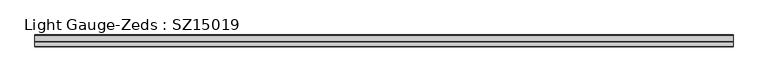
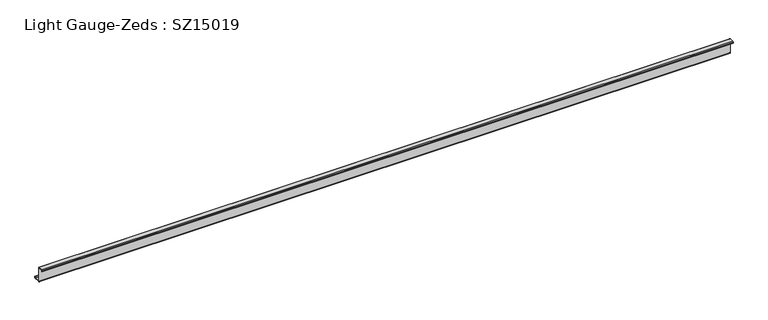
"""IFC4 building model written with IfcOpenShell, lengths in millimetres: beam geometry, Light Gauge-Zeds : SZ15019."""

import ifcopenshell
import ifcopenshell.guid

model = None  # the IFC model being written
_history = None  # IfcOwnerHistory: only IFC2X3 demands one
_inside = {}  # id of a spatial element -> (the spatial element, [elements in it])
_under = {}  # id of a project, library or spatial element -> (it, [spatial elements below it])
_declared = {}  # id of a project -> (the project, [libraries it declares])
_typed = {}  # id of a type object -> (the type object, [elements of that type])
_made_of = {}  # id of a material, layer set ... -> (it, [elements and type objects made of it])


def new_model(schema):
    """Start an empty IFC model of exactly this schema.

    Asked for "IFC4X3", IfcOpenShell would pick the latest addendum, in which some entities
    have other attributes; the version numbers below select the first issue.
    IFC2X3 requires an IfcOwnerHistory on every rooted entity: one is made here for all.
    """
    global model, _history
    if schema == "IFC4X3":
        model = ifcopenshell.file(schema_version=(4, 3, 0, 0))
    else:
        model = ifcopenshell.file(schema=schema)
    _inside.clear()
    _under.clear()
    _declared.clear()
    _typed.clear()
    _made_of.clear()
    _history = None
    if model.schema == "IFC2X3":
        org = make("IfcOrganization", Name="unknown")
        user = make(
            "IfcPersonAndOrganization",
            ThePerson=make("IfcPerson", FamilyName="unknown"),
            TheOrganization=org,
        )
        app = make(
            "IfcApplication",
            ApplicationDeveloper=org,
            Version="unknown",
            ApplicationFullName="unknown",
            ApplicationIdentifier="unknown",
        )
        _history = make(
            "IfcOwnerHistory",
            OwningUser=user,
            OwningApplication=app,
            ChangeAction="ADDED",
            CreationDate=0,
        )
    return model


def make(cls, **values):
    """One entity of the class cls with the attributes given. An attribute that is None is left unset."""
    return model.create_entity(
        cls, **{name: value for name, value in values.items() if value is not None}
    )


def rooted(cls, **values):
    """An entity with a GlobalId (a new one), such as an element, a storey or a relation."""
    return make(cls, GlobalId=ifcopenshell.guid.new(), OwnerHistory=_history, **values)


def si_unit(unit_type, name, prefix=None):
    """IfcSIUnit, for example si_unit("LENGTHUNIT", "METRE", prefix="MILLI")."""
    return make("IfcSIUnit", UnitType=unit_type, Prefix=prefix, Name=name)


def assignment(units):
    """IfcUnitAssignment: the units of a project."""
    return None if units is None else make("IfcUnitAssignment", Units=units)


def point(xyz):
    """IfcCartesianPoint."""
    return None if xyz is None else make("IfcCartesianPoint", Coordinates=xyz)


def direction(xyz):
    """IfcDirection."""
    return None if xyz is None else make("IfcDirection", DirectionRatios=xyz)


def frame(location, z_axis=None, x_axis=None):
    """IfcAxis2Placement3D, a coordinate frame: its origin and axes. An axis left out is left unset."""
    return make(
        "IfcAxis2Placement3D",
        Location=point(location),
        Axis=direction(z_axis),
        RefDirection=direction(x_axis),
    )


def frame_2d(location, x_axis=None):
    """IfcAxis2Placement2D, a coordinate frame in the plane: its origin and x axis."""
    return make(
        "IfcAxis2Placement2D", Location=point(location), RefDirection=direction(x_axis)
    )


def origin():
    """The frame at (0, 0, 0) with its axes left unset."""
    return frame((0.0, 0.0, 0.0))


def place(relative_to, where):
    """IfcLocalPlacement: puts the frame where relative to a parent placement (None: the world)."""
    return make(
        "IfcLocalPlacement", PlacementRelTo=relative_to, RelativePlacement=where
    )


def context(
    kind, dimensions, precision=None, world=None, true_north=None, identifier=None
):
    """IfcGeometricRepresentationContext, for example the 3D "Model" context."""
    return make(
        "IfcGeometricRepresentationContext",
        ContextIdentifier=identifier,
        ContextType=kind,
        CoordinateSpaceDimension=dimensions,
        Precision=precision,
        WorldCoordinateSystem=world,
        TrueNorth=true_north,
    )


def project(units=None, contexts=None):
    """IfcProject with its units and contexts."""
    return rooted(
        "IfcProject",
        Name="project",
        RepresentationContexts=contexts,
        UnitsInContext=assignment(units),
    )


def spatial(cls, under=None, at=None, **own):
    """A site, building, storey or space (cls), placed at a placement, below another one or the project."""
    s = rooted(cls, ObjectPlacement=at, **own)
    if under is not None:
        _under.setdefault(under.id(), (under, []))[1].append(s)
    return s


def polyline(points):
    """IfcPolyline through the points."""
    return make("IfcPolyline", Points=[point(p) for p in points])


def circle_curve(where, radius):
    """IfcCircle in the frame where."""
    return make("IfcCircle", Position=where, Radius=radius)


def trimmed(basis, trim1, trim2, sense, master):
    """IfcTrimmedCurve: the piece of a basis curve between two trims."""
    return make(
        "IfcTrimmedCurve",
        BasisCurve=basis,
        Trim1=trim1,
        Trim2=trim2,
        SenseAgreement=sense,
        MasterRepresentation=master,
    )


def segment(curve, same_sense, transition):
    """IfcCompositeCurveSegment."""
    return make(
        "IfcCompositeCurveSegment",
        Transition=transition,
        SameSense=same_sense,
        ParentCurve=curve,
    )


def composite_curve(segments, self_intersect=None):
    """IfcCompositeCurve: segments joined end to end."""
    return make("IfcCompositeCurve", Segments=segments, SelfIntersect=self_intersect)


def outline(outer, holes=None, kind="AREA"):
    """IfcArbitraryClosedProfileDef: a profile drawn as a closed curve; with holes, ...WithVoids."""
    if holes is None:
        return make("IfcArbitraryClosedProfileDef", ProfileType=kind, OuterCurve=outer)
    return make(
        "IfcArbitraryProfileDefWithVoids",
        ProfileType=kind,
        OuterCurve=outer,
        InnerCurves=holes,
    )


def extrude(swept, where, along, depth):
    """IfcExtrudedAreaSolid: the profile swept, set in the frame where, extruded along a direction by depth."""
    return make(
        "IfcExtrudedAreaSolid",
        SweptArea=swept,
        Position=where,
        ExtrudedDirection=direction(along),
        Depth=depth,
    )


def shape(context_of_items, identifier, shape_type, items):
    """IfcShapeRepresentation: the items that make up one representation, for example the "Body"."""
    return make(
        "IfcShapeRepresentation",
        ContextOfItems=context_of_items,
        RepresentationIdentifier=identifier,
        RepresentationType=shape_type,
        Items=items,
    )


def source(mapping_origin, context_of_items, identifier, shape_type, items):
    """IfcRepresentationMap: a shape defined once, which mapped items show again and again."""
    return make(
        "IfcRepresentationMap",
        MappingOrigin=mapping_origin,
        MappedRepresentation=shape(context_of_items, identifier, shape_type, items),
    )


def transform(
    local_origin,
    x_axis=None,
    y_axis=None,
    z_axis=None,
    scale=None,
    scale2=None,
    scale3=None,
    uniform=True,
):
    """IfcCartesianTransformationOperator3D, or its non-uniform kind. x_axis, y_axis, z_axis: its Axis1, 2, 3."""
    if uniform:
        return make(
            "IfcCartesianTransformationOperator3D",
            Axis1=direction(x_axis),
            Axis2=direction(y_axis),
            LocalOrigin=point(local_origin),
            Scale=scale,
            Axis3=direction(z_axis),
        )
    return make(
        "IfcCartesianTransformationOperator3DnonUniform",
        Axis1=direction(x_axis),
        Axis2=direction(y_axis),
        LocalOrigin=point(local_origin),
        Scale=scale,
        Axis3=direction(z_axis),
        Scale2=scale2,
        Scale3=scale3,
    )


def mapped(mapping_source, mapping_target):
    """IfcMappedItem: shows the shape of a source again, moved by a transform."""
    return make(
        "IfcMappedItem", MappingSource=mapping_source, MappingTarget=mapping_target
    )


def made_of(thing, what):
    """Note that an element or type object is made of a material, layer set ...; save() writes the relation."""
    if what is not None:
        _made_of.setdefault(what.id(), (what, []))[1].append(thing)
    return thing


def element(
    cls,
    number,
    at=None,
    inside=None,
    cuts=None,
    type_object=None,
    material=None,
    context=None,
    identifier="Body",
    shape_type=None,
    held_by="IfcProductDefinitionShape",
    body=None,
    shapes=None,
    **own,
):
    """One element of the class cls, such as IfcWall. Its Tag is "e" and its number.

    at: its placement. inside: the storey or other place that contains it. cuts: it is an
    opening in that element (IfcRelVoidsElement). A single representation is given by context,
    identifier, shape_type and body (its items); several are given by shapes. held_by: the class
    of the entity that holds the representations. save() writes the other relations.
    """
    e = rooted(cls, Tag="e%d" % number, ObjectPlacement=at, **own)
    if body is not None:
        shapes = [shape(context, identifier, shape_type, body)]
    if shapes is not None:
        e.Representation = make(held_by, Representations=shapes)
    if inside is not None:
        _inside.setdefault(inside.id(), (inside, []))[1].append(e)
    if cuts is not None:
        rooted(
            "IfcRelVoidsElement", RelatingBuildingElement=cuts, RelatedOpeningElement=e
        )
    if type_object is not None:
        _typed.setdefault(type_object.id(), (type_object, []))[1].append(e)
    return made_of(e, material)


def aggregate(whole, parts):
    """IfcRelAggregates: a whole, such as a stair, and the parts it consists of."""
    return rooted("IfcRelAggregates", RelatingObject=whole, RelatedObjects=parts)


def save(model, path):
    """Write the relations noted so far, then the file.

    IfcRelAggregates (storeys below a building ...), IfcRelContainedInSpatialStructure (elements
    in a storey), IfcRelDefinesByType, IfcRelAssociatesMaterial and IfcRelDeclares: one each for
    every whole, place, type object, material and project.
    """
    for whole, parts in _under.values():
        aggregate(whole, parts)
    for where, things in _inside.values():
        rooted(
            "IfcRelContainedInSpatialStructure",
            RelatedElements=things,
            RelatingStructure=where,
        )
    for kind, things in _typed.values():
        rooted("IfcRelDefinesByType", RelatedObjects=things, RelatingType=kind)
    for what, things in _made_of.values():
        rooted("IfcRelAssociatesMaterial", RelatedObjects=things, RelatingMaterial=what)
    for by, libraries in _declared.values():
        rooted("IfcRelDeclares", RelatingContext=by, RelatedDefinitions=libraries)
    model.write(path)


def light_gauge_zeds_sz15019_fbf009de(model_context):
    return source(origin(), model_context, "Body", "SweptSolid", [
        extrude(outline(composite_curve([segment(polyline([(0.0, -72.1), (0.0, 72.1)]), True, "CONTINUOUS"), segment(trimmed(circle_curve(frame_2d((-2.0, 72.1)), 2.0), [point((0.0, 72.1))], [point((-2.0, 74.1))], True, "CARTESIAN"), True, "CONTINUOUS"), segment(polyline([(-2.0, 74.1), (-46.6, 74.1)]), True, "CONTINUOUS"), segment(trimmed(circle_curve(frame_2d((-46.6, 72.1)), 2.0), [point((-46.6, 74.1))], [point((-48.6, 72.1))], True, "CARTESIAN"), True, "CONTINUOUS"), segment(polyline([(-48.6, 72.1), (-48.6, 58.0), (-50.5, 58.0), (-50.5, 72.1)]), True, "CONTINUOUS"), segment(trimmed(circle_curve(frame_2d((-46.6, 72.1)), 3.9), [point((-50.5, 72.1))], [point((-46.6, 76.0))], False, "CARTESIAN"), True, "CONTINUOUS"), segment(polyline([(-46.6, 76.0), (-2.0, 76.0)]), True, "CONTINUOUS"), segment(trimmed(circle_curve(frame_2d((-2.0, 72.1)), 3.9), [point((-2.0, 76.0))], [point((1.9, 72.1))], False, "CARTESIAN"), True, "CONTINUOUS"), segment(polyline([(1.9, 72.1), (1.9, -72.1)]), True, "CONTINUOUS"), segment(trimmed(circle_curve(frame_2d((3.9, -72.1)), 2.0), [point((1.9, -72.1))], [point((3.9, -74.1))], True, "CARTESIAN"), True, "CONTINUOUS"), segment(polyline([(3.9, -74.1), (63.6, -74.1)]), True, "CONTINUOUS"), segment(trimmed(circle_curve(frame_2d((63.6, -72.1)), 2.0), [point((63.6, -74.1))], [point((65.6, -72.1))], True, "CARTESIAN"), True, "CONTINUOUS"), segment(polyline([(65.6, -72.1), (65.6, -57.0), (67.5, -57.0), (67.5, -72.1)]), True, "CONTINUOUS"), segment(trimmed(circle_curve(frame_2d((63.6, -72.1)), 3.9), [point((67.5, -72.1))], [point((63.6, -76.0))], False, "CARTESIAN"), True, "CONTINUOUS"), segment(polyline([(63.6, -76.0), (3.9, -76.0)]), True, "CONTINUOUS"), segment(trimmed(circle_curve(frame_2d((3.9, -72.1)), 3.9), [point((3.9, -76.0))], [point((0.0, -72.1))], False, "CARTESIAN"), True, "CONTINUOUS")], self_intersect=False)), frame((-3085.5, 0.0, 0.0), z_axis=(1.0, 0.0, 0.0), x_axis=(0.0, 1.0, 0.0)), (0.0, 0.0, 1.0), 6869.2588469),
    ])


if __name__ == "__main__":
    model = new_model("IFC4")
    model_context = context("Model", 3, world=origin())
    ifc_project = project(units=[si_unit("LENGTHUNIT", "METRE", prefix="MILLI")], contexts=[model_context])
    site = spatial("IfcSite", under=ifc_project)
    building = spatial("IfcBuilding", under=site)
    placement = place(None, origin())
    light_gauge_zeds_sz15019_shape = light_gauge_zeds_sz15019_fbf009de(model_context)
    element("IfcBeam", 1, ObjectType="Light Gauge-Zeds : SZ15019", at=placement, inside=building, context=model_context, shape_type="MappedRepresentation", body=[
        mapped(light_gauge_zeds_sz15019_shape, transform((0.0, 0.0, 0.0), x_axis=(1.0, 0.0, 0.0), y_axis=(0.0, 1.0, 0.0), z_axis=(0.0, 0.0, 1.0))),
    ])
    save(model, "model.ifc")
